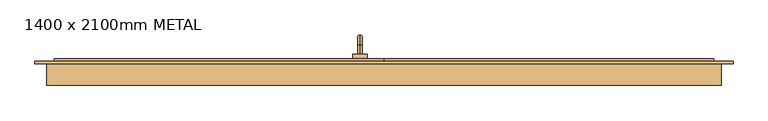
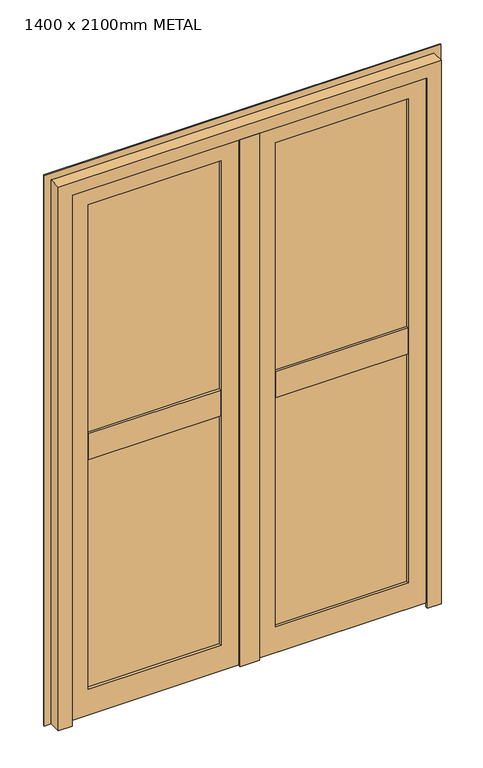
"""IFC4 building model written with IfcOpenShell, lengths in millimetres: door geometry, 1400 x 2100mm METAL."""

from ifc_helpers import new_model, si_unit, point, frame, origin, place, context, project, spatial, polyline, circle_curve, ellipse_curve, trimmed, outline, extrude, faceted_brep, source, transform, mapped, element, save
from ifc_brep_helpers import plane_surface, cylinder_surface, revolved_surface, advanced_brep


def door_1400_x_2100mm_metal_8575f24b(model_context):
    return source(origin(), model_context, "Body", "SolidModel", [
        advanced_brep(
        [(-50.0, 169.0, 905.0), (-50.0, 188.0, 905.0), (-50.0, 188.0, 895.0), (-50.0, 169.0, 895.0), (-50.0, 209.0, 884.0), (-50.0, 199.0, 884.0), (-50.0, 209.0, 805.0), (-50.0, 199.0, 805.0), (-65.0, 169.0, 930.0), (-35.0, 169.0, 930.0), (-35.0, 169.0, 870.0), (-65.0, 169.0, 870.0), (-65.0, 159.0, 930.0), (-65.0, 159.0, 870.0), (-35.0, 159.0, 870.0), (-35.0, 159.0, 930.0)],
        [
            (0, 1),
            (1, 2, circle_curve(frame((-50.0, 188.0, 900.0), z_axis=(0.0, -1.0, 0.0), x_axis=(0.0, 0.0, -1.0)), 5.0)),
            (2, 3),
            (3, 0, circle_curve(frame((-50.0, 169.0, 900.0), z_axis=(0.0, 1.0, 0.0), x_axis=(0.0, 0.0, -1.0)), 5.0)),
            (0, 3, circle_curve(frame((-50.0, 169.0, 900.0), z_axis=(0.0, 1.0, 0.0), x_axis=(0.0, 0.0, -1.0)), 5.0)),
            (2, 1, circle_curve(frame((-50.0, 188.0, 900.0), z_axis=(0.0, -1.0, 0.0), x_axis=(0.0, 0.0, -1.0)), 5.0)),
            (1, 4, circle_curve(frame((-50.0, 188.0, 884.0), z_axis=(-1.0, 0.0, 0.0), x_axis=(0.0, 0.0, 1.0)), 21.0)),
            (4, 5, circle_curve(frame((-50.0, 204.0, 884.0), z_axis=(0.0, 0.0, 1.0), x_axis=(0.0, -1.0, 0.0)), 5.0)),
            (5, 2, circle_curve(frame((-50.0, 188.0, 884.0), z_axis=(1.0, 0.0, 0.0), x_axis=(0.0, 0.0, 1.0)), 11.0)),
            (5, 4, circle_curve(frame((-50.0, 204.0, 884.0), z_axis=(0.0, 0.0, 1.0), x_axis=(0.0, -1.0, 0.0)), 5.0)),
            (6, 7, circle_curve(frame((-50.0, 204.0, 805.0), z_axis=(0.0, 0.0, -1.0), x_axis=(0.0, -1.0, 0.0)), 5.0)),
            (7, 6, circle_curve(frame((-50.0, 204.0, 805.0), z_axis=(0.0, 0.0, -1.0), x_axis=(0.0, -1.0, 0.0)), 5.0)),
            (4, 6),
            (7, 5),
            (8, 9),
            (9, 10),
            (10, 11),
            (11, 8),
            (12, 13),
            (13, 14),
            (14, 15),
            (15, 12),
            (8, 12),
            (15, 9),
            (14, 10),
            (13, 11),
        ],
        [
            cylinder_surface(frame((-50.0, 169.0, 900.0), z_axis=(0.0, -1.0, 0.0), x_axis=(0.0, 0.0, -1.0)), 5.0),
            revolved_surface(trimmed(ellipse_curve(frame((-50.0, 188.0, 900.0), z_axis=(0.0, -1.0, 0.0), x_axis=(0.0, 0.0, -1.0)), 5.0, 5.0), [point((-50.0, 188.0, 905.0))], [point((-50.0, 188.0, 895.0))], True, "CARTESIAN"), (-50.0, 188.0, 884.0), (-1.0, 0.0, 0.0)),
            revolved_surface(trimmed(ellipse_curve(frame((-50.0, 188.0, 900.0), z_axis=(0.0, -1.0, 0.0), x_axis=(0.0, 0.0, -1.0)), 5.0, 5.0), [point((-50.0, 188.0, 895.0))], [point((-50.0, 188.0, 905.0))], True, "CARTESIAN"), (-50.0, 188.0, 884.0), (-1.0, 0.0, 0.0)),
            plane_surface(frame((-50.0, 204.0, 805.0), z_axis=(0.0, 0.0, -1.0), x_axis=(-1.0, 0.0, 0.0))),
            cylinder_surface(frame((-50.0, 204.0, 884.0), z_axis=(0.0, 0.0, 1.0), x_axis=(0.0, -1.0, 0.0)), 5.0),
            plane_surface(frame((-35.0, 169.0, 930.0), z_axis=(0.0, 1.0, 0.0), x_axis=(1.0, 0.0, 0.0))),
            plane_surface(frame((-35.0, 159.0, 930.0), z_axis=(0.0, -1.0, 0.0), x_axis=(-1.0, 0.0, 0.0))),
            plane_surface(frame((-65.0, 169.0, 930.0), z_axis=(0.0, 0.0, 1.0), x_axis=(0.0, -1.0, 0.0))),
            plane_surface(frame((-35.0, 169.0, 930.0), z_axis=(1.0, 0.0, 0.0), x_axis=(0.0, -1.0, 0.0))),
            plane_surface(frame((-35.0, 169.0, 870.0), z_axis=(0.0, 0.0, -1.0), x_axis=(0.0, -1.0, 0.0))),
            plane_surface(frame((-65.0, 169.0, 870.0), z_axis=(-1.0, 0.0, 0.0), x_axis=(0.0, -1.0, 0.0))),
        ],
        [
            (0, [[1, 2, 3, 4]]),
            (0, [[-1, 5, -3, 6]]),
            (1, [[-2, 7, 8, 9]]),
            (2, [[-6, -9, 10, -7]]),
            (3, [[11, 12]]),
            (4, [[-8, 13, -12, 14]]),
            (4, [[-10, -14, -11, -13]]),
            (5, [[15, 16, 17, 18], [-4, -5]]),
            (6, [[19, 20, 21, 22]]),
            (7, [[-15, 23, -22, 24]]),
            (8, [[-16, -24, -21, 25]]),
            (9, [[-17, -25, -20, 26]]),
            (10, [[-18, -26, -19, -23]]),
        ],
    ),
        extrude(outline(polyline([(149.0, 22.0), (149.0, 7.0), (144.0, 7.0), (144.0, 12.0), (129.0, 12.0), (129.0, 7.0), (124.0, 7.0), (124.0, 22.0), (149.0, 22.0)])), frame((0.0, 0.0, 0.0), z_axis=(1.0, 0.0, 0.0), x_axis=(0.0, 1.0, 0.0)), (0.0, 0.0, 1.0), 685.0),
        extrude(outline(polyline([(149.0, 22.0), (149.0, 7.0), (144.0, 7.0), (144.0, 12.0), (129.0, 12.0), (129.0, 7.0), (124.0, 7.0), (124.0, 22.0), (149.0, 22.0)])), frame((-685.0, 0.0, 0.0), z_axis=(1.0, 0.0, 0.0), x_axis=(0.0, 1.0, 0.0)), (0.0, 0.0, 1.0), 685.0),
        faceted_brep([(0.0, 114.0, 40.0), (0.0, 124.0, 40.0), (0.0, 124.0, 15.0), (0.0, 114.0, 15.0), (685.0, 114.0, 40.0), (685.0, 114.0, 15.0), (685.0, 124.0, 15.0), (685.0, 124.0, 40.0), (25.0, 114.0, 40.0), (25.0, 124.0, 40.0), (660.0, 124.0, 40.0), (660.0, 114.0, 40.0), (660.0, 114.0, 2060.0), (25.0, 114.0, 2060.0), (100.0, 114.0, 1985.0), (585.0, 114.0, 1985.0), (585.0, 114.0, 115.0), (100.0, 114.0, 115.0), (685.0, 149.0, 2085.0), (685.0, 159.0, 2085.0), (0.0, 159.0, 2085.0), (0.0, 149.0, 2085.0), (610.0, 159.0, 2010.0), (610.0, 124.0, 2010.0), (75.0, 124.0, 2010.0), (75.0, 159.0, 2010.0), (585.0, 124.0, 1985.0), (100.0, 124.0, 1985.0), (660.0, 149.0, 2060.0), (25.0, 149.0, 2060.0), (0.0, 159.0, 15.0), (0.0, 149.0, 15.0), (75.0, 124.0, 90.0), (75.0, 159.0, 90.0), (100.0, 124.0, 115.0), (25.0, 149.0, 40.0), (685.0, 159.0, 15.0), (685.0, 149.0, 15.0), (610.0, 124.0, 90.0), (610.0, 159.0, 90.0), (585.0, 124.0, 115.0), (660.0, 149.0, 40.0)], [[[0, 1, 2, 3]], [[4, 5, 6, 7]], [[1, 0, 8, 9]], [[4, 7, 10, 11]], [[2, 1, 9, 10, 7, 6]], [[3, 2, 6, 5]], [[0, 3, 5, 4, 11, 12, 13, 8], [14, 15, 16, 17]], [[18, 19, 20, 21]], [[22, 23, 24, 25]], [[26, 15, 14, 27]], [[12, 28, 29, 13]], [[21, 20, 30, 31]], [[25, 24, 32, 33]], [[27, 14, 17, 34]], [[13, 29, 35, 9, 8]], [[31, 30, 36, 37]], [[33, 32, 38, 39]], [[34, 17, 16, 40]], [[35, 41, 10, 9]], [[19, 18, 37, 36]], [[20, 19, 36, 30], [22, 25, 33, 39]], [[23, 22, 39, 38]], [[24, 23, 38, 32], [26, 27, 34, 40]], [[15, 26, 40, 16]], [[28, 12, 11, 10, 41]], [[18, 21, 31, 37], [29, 28, 41, 35]]]),
        faceted_brep([(-685.0, 159.0, 2085.0), (-685.0, 149.0, 2085.0), (0.0, 149.0, 2085.0), (0.0, 159.0, 2085.0), (-610.0, 124.0, 2010.0), (-610.0, 159.0, 2010.0), (-75.0, 159.0, 2010.0), (-75.0, 124.0, 2010.0), (-585.0, 114.0, 1985.0), (-585.0, 124.0, 1985.0), (-100.0, 124.0, 1985.0), (-100.0, 114.0, 1985.0), (-660.0, 149.0, 2060.0), (-660.0, 114.0, 2060.0), (-25.0, 114.0, 2060.0), (-25.0, 149.0, 2060.0), (0.0, 149.0, 15.0), (0.0, 159.0, 15.0), (-75.0, 159.0, 90.0), (-75.0, 124.0, 90.0), (-100.0, 124.0, 115.0), (-100.0, 114.0, 115.0), (-25.0, 114.0, 40.0), (-25.0, 124.0, 40.0), (-25.0, 149.0, 40.0), (-685.0, 149.0, 15.0), (-685.0, 159.0, 15.0), (-610.0, 159.0, 90.0), (-610.0, 124.0, 90.0), (-585.0, 124.0, 115.0), (-585.0, 114.0, 115.0), (-660.0, 149.0, 40.0), (-660.0, 124.0, 40.0), (-660.0, 114.0, 40.0), (-685.0, 114.0, 40.0), (-685.0, 114.0, 15.0), (0.0, 114.0, 15.0), (0.0, 114.0, 40.0), (0.0, 124.0, 15.0), (0.0, 124.0, 40.0), (-685.0, 124.0, 40.0), (-685.0, 124.0, 15.0)], [[[0, 1, 2, 3]], [[4, 5, 6, 7]], [[8, 9, 10, 11]], [[12, 13, 14, 15]], [[3, 2, 16, 17]], [[7, 6, 18, 19]], [[11, 10, 20, 21]], [[15, 14, 22, 23, 24]], [[17, 16, 25, 26]], [[19, 18, 27, 28]], [[21, 20, 29, 30]], [[31, 24, 23, 32]], [[1, 0, 26, 25]], [[0, 3, 17, 26], [6, 5, 27, 18]], [[5, 4, 28, 27]], [[4, 7, 19, 28], [10, 9, 29, 20]], [[9, 8, 30, 29]], [[14, 13, 33, 34, 35, 36, 37, 22], [8, 11, 21, 30]], [[13, 12, 31, 32, 33]], [[2, 1, 25, 16], [12, 15, 24, 31]], [[37, 36, 38, 39]], [[34, 40, 41, 35]], [[37, 39, 23, 22]], [[40, 34, 33, 32]], [[39, 38, 41, 40, 32, 23]], [[38, 36, 35, 41]]]),
        extrude(outline(polyline([(85.0, 124.0), (85.0, 138.0), (600.0, 138.0), (600.0, 124.0), (85.0, 124.0)])), frame((0.0, 0.0, 1085.0), z_axis=(0.0, 0.0, 1.0), x_axis=(1.0, 0.0, 0.0)), (0.0, 0.0, 1.0), 915.0),
        extrude(outline(polyline([(85.0, 124.0), (85.0, 138.0), (600.0, 138.0), (600.0, 124.0), (85.0, 124.0)])), frame((0.0, 0.0, 100.0), z_axis=(0.0, 0.0, 1.0), x_axis=(1.0, 0.0, 0.0)), (0.0, 0.0, 1.0), 915.0),
        extrude(outline(polyline([(-600.0, 124.0), (-600.0, 138.0), (-85.0, 138.0), (-85.0, 124.0), (-600.0, 124.0)])), frame((0.0, 0.0, 1085.0), z_axis=(0.0, 0.0, 1.0), x_axis=(1.0, 0.0, 0.0)), (0.0, 0.0, 1.0), 915.0),
        extrude(outline(polyline([(-600.0, 124.0), (-600.0, 138.0), (-85.0, 138.0), (-85.0, 124.0), (-600.0, 124.0)])), frame((0.0, 0.0, 100.0), z_axis=(0.0, 0.0, 1.0), x_axis=(1.0, 0.0, 0.0)), (0.0, 0.0, 1.0), 915.0),
        extrude(outline(polyline([(124.0, 1025.0), (124.0, 1000.0), (114.0, 1000.0), (114.0, 1100.0), (124.0, 1100.0), (124.0, 1075.0), (159.0, 1075.0), (159.0, 1025.0), (124.0, 1025.0)])), frame((100.0, 0.0, 0.0), z_axis=(1.0, 0.0, 0.0), x_axis=(0.0, 1.0, 0.0)), (0.0, 0.0, 1.0), 485.0),
        extrude(outline(polyline([(124.0, 1075.0), (159.0, 1075.0), (159.0, 1025.0), (124.0, 1025.0), (124.0, 1000.0), (114.0, 1000.0), (114.0, 1100.0), (124.0, 1100.0), (124.0, 1075.0)])), frame((-585.0, 0.0, 0.0), z_axis=(1.0, 0.0, 0.0), x_axis=(0.0, 1.0, 0.0)), (0.0, 0.0, 1.0), 485.0),
        extrude(outline(polyline([(-585.0, 138.0), (-585.0, 159.0), (-100.0, 159.0), (-100.0, 138.0), (-585.0, 138.0)])), frame((0.0, 0.0, 1075.0), z_axis=(0.0, 0.0, 1.0), x_axis=(1.0, 0.0, 0.0)), (0.0, 0.0, 1.0), 25.0),
        extrude(outline(polyline([(-585.0, 138.0), (-585.0, 159.0), (-100.0, 159.0), (-100.0, 138.0), (-585.0, 138.0)])), frame((0.0, 0.0, 1000.0), z_axis=(0.0, 0.0, 1.0), x_axis=(1.0, 0.0, 0.0)), (0.0, 0.0, 1.0), 25.0),
        extrude(outline(polyline([(100.0, 138.0), (100.0, 159.0), (585.0, 159.0), (585.0, 138.0), (100.0, 138.0)])), frame((0.0, 0.0, 1075.0), z_axis=(0.0, 0.0, 1.0), x_axis=(1.0, 0.0, 0.0)), (0.0, 0.0, 1.0), 25.0),
        extrude(outline(polyline([(100.0, 138.0), (100.0, 159.0), (585.0, 159.0), (585.0, 138.0), (100.0, 138.0)])), frame((0.0, 0.0, 1000.0), z_axis=(0.0, 0.0, 1.0), x_axis=(1.0, 0.0, 0.0)), (0.0, 0.0, 1.0), 25.0),
        extrude(outline(polyline([(2010.0, 75.0), (90.0, 75.0), (90.0, 610.0), (2010.0, 610.0), (2010.0, 75.0)]), holes=[polyline([(1985.0, 585.0), (115.0, 585.0), (115.0, 100.0), (1985.0, 100.0), (1985.0, 585.0)])]), frame((0.0, 138.0, 0.0), z_axis=(0.0, 1.0, 0.0), x_axis=(0.0, 0.0, 1.0)), (0.0, 0.0, 1.0), 21.0),
        faceted_brep([(25.0, 149.0, 2085.0), (-10.0, 149.0, 2085.0), (-10.0, 114.0, 2085.0), (25.0, 114.0, 2085.0), (25.0, 149.0, 15.0), (-10.0, 149.0, 15.0), (-10.0, 114.0, 15.0), (-10.0, 114.0, 2050.0), (25.0, 114.0, 2050.0), (25.0, 114.0, 15.0), (35.0, 104.0, 2050.0), (35.0, 114.0, 2050.0), (-35.0, 114.0, 2050.0), (-35.0, 104.0, 2050.0), (35.0, 104.0, 15.0), (-35.0, 104.0, 15.0), (-35.0, 114.0, 15.0), (35.0, 114.0, 15.0)], [[[0, 1, 2, 3]], [[1, 0, 4, 5]], [[2, 1, 5, 6, 7]], [[3, 2, 7, 8]], [[4, 0, 3, 8, 9]], [[10, 11, 8, 7, 12, 13]], [[14, 15, 16, 6, 5, 4, 9, 17]], [[11, 10, 14, 17]], [[8, 11, 17, 9]], [[12, 7, 6, 16]], [[13, 12, 16, 15]], [[10, 13, 15, 14]]]),
        extrude(outline(polyline([(2010.0, -610.0), (90.0, -610.0), (90.0, -75.0), (2010.0, -75.0), (2010.0, -610.0)]), holes=[polyline([(1985.0, -100.0), (115.0, -100.0), (115.0, -585.0), (1985.0, -585.0), (1985.0, -100.0)])]), frame((0.0, 138.0, 0.0), z_axis=(0.0, 1.0, 0.0), x_axis=(0.0, 0.0, 1.0)), (0.0, 0.0, 1.0), 21.0),
        faceted_brep([(-700.0, 104.0, 0.0), (-700.0, 149.0, 0.0), (-675.0, 149.0, 0.0), (-675.0, 114.0, 0.0), (-650.0, 114.0, 0.0), (-650.0, 104.0, 0.0), (-700.0, 149.0, 2100.0), (-700.0, 104.0, 2100.0), (700.0, 104.0, 2100.0), (700.0, 149.0, 2100.0), (-675.0, 114.0, 2075.0), (-675.0, 149.0, 2075.0), (675.0, 149.0, 2075.0), (675.0, 114.0, 2075.0), (-650.0, 104.0, 2050.0), (-650.0, 114.0, 2050.0), (650.0, 114.0, 2050.0), (650.0, 104.0, 2050.0), (700.0, 104.0, 0.0), (700.0, 149.0, 0.0), (675.0, 149.0, 0.0), (675.0, 114.0, 0.0), (650.0, 114.0, 0.0), (650.0, 104.0, 0.0)], [[[0, 1, 2, 3, 4, 5]], [[6, 7, 8, 9]], [[10, 11, 12, 13]], [[14, 15, 16, 17]], [[9, 8, 18, 19]], [[13, 12, 20, 21]], [[17, 16, 22, 23]], [[18, 23, 22, 21, 20, 19]], [[1, 0, 7, 6]], [[2, 1, 6, 9, 19, 20, 12, 11]], [[3, 2, 11, 10]], [[4, 3, 10, 13, 21, 22, 16, 15]], [[5, 4, 15, 14]], [[0, 5, 14, 17, 23, 18, 8, 7]]]),
        extrude(outline(polyline([(0.0, -725.0), (0.0, -690.0), (2090.0, -690.0), (2090.0, 690.0), (0.0, 690.0), (0.0, 725.0), (2125.0, 725.0), (2125.0, -725.0), (0.0, -725.0)])), frame((0.0, 149.0, 0.0), z_axis=(0.0, 1.0, 0.0), x_axis=(0.0, 0.0, 1.0)), (0.0, 0.0, 1.0), 5.0),
    ])


if __name__ == "__main__":
    model = new_model("IFC4")
    model_context = context("Model", 3, world=origin())
    ifc_project = project(units=[si_unit("LENGTHUNIT", "METRE", prefix="MILLI")], contexts=[model_context])
    site = spatial("IfcSite", under=ifc_project)
    building = spatial("IfcBuilding", under=site)
    placement = place(None, origin())
    door_1400_x_2100mm_metal_shape = door_1400_x_2100mm_metal_8575f24b(model_context)
    element("IfcDoor", 1, ObjectType="1400 x 2100mm METAL", at=placement, inside=building, context=model_context, shape_type="MappedRepresentation", body=[
        mapped(door_1400_x_2100mm_metal_shape, transform((0.0, 0.0, 0.0), x_axis=(1.0, 0.0, 0.0), y_axis=(0.0, 1.0, 0.0), z_axis=(0.0, 0.0, 1.0))),
    ])
    save(model, "model.ifc")
